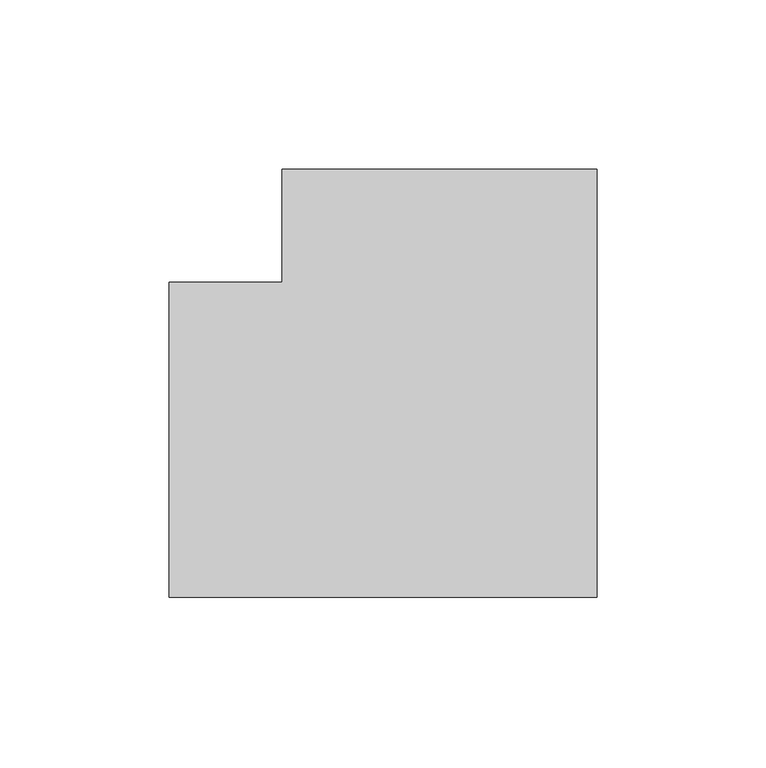
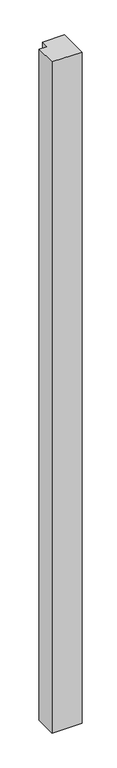
"""IFC4 building model written with IfcOpenShell, lengths in millimetres: member geometry."""

from ifc_helpers import new_model, si_unit, frame, origin, place, context, project, spatial, polyline, outline, extrude, source, transform, mapped, element, save


def member_f7b0e2d7(model_context):
    return source(origin(), model_context, "Body", "SweptSolid", [
        extrude(outline(polyline([(46.5, 80.0), (46.5, -46.5), (-80.0, -46.5), (-80.0, 46.5), (-46.5, 46.5), (-46.5, 80.0), (46.5, 80.0)])), frame((0.0, 0.0, -3000.0), z_axis=(0.0, 0.0, 1.0), x_axis=(1.0, 0.0, 0.0)), (0.0, 0.0, 1.0), 3000.0),
    ])


if __name__ == "__main__":
    model = new_model("IFC4")
    model_context = context("Model", 3, world=origin())
    ifc_project = project(units=[si_unit("LENGTHUNIT", "METRE", prefix="MILLI")], contexts=[model_context])
    site = spatial("IfcSite", under=ifc_project)
    building = spatial("IfcBuilding", under=site)
    placement = place(None, origin())
    member_shape = member_f7b0e2d7(model_context)
    element("IfcMember", 1, at=placement, inside=building, context=model_context, shape_type="MappedRepresentation", body=[
        mapped(member_shape, transform((0.0, 0.0, 0.0), x_axis=(1.0, 0.0, 0.0), y_axis=(0.0, 1.0, 0.0), z_axis=(0.0, 0.0, 1.0))),
    ])
    save(model, "model.ifc")
